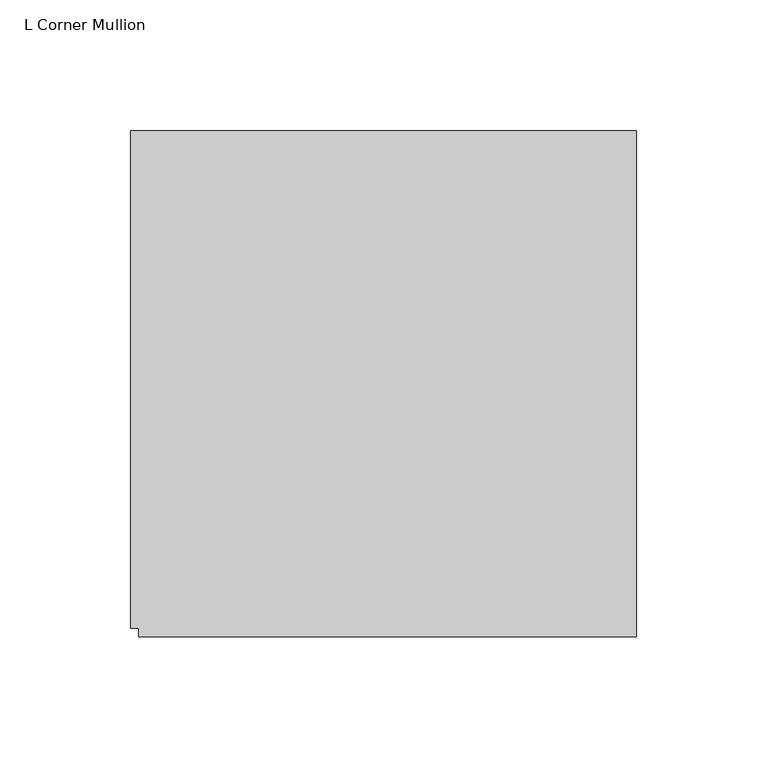
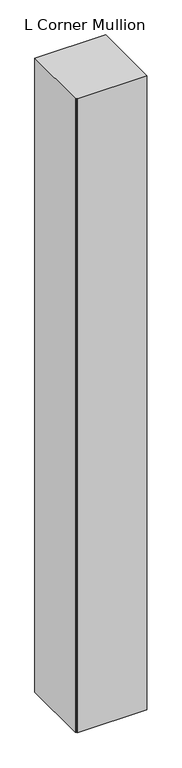
"""IFC4 building model written with IfcOpenShell, lengths in millimetres: member geometry, L Corner Mullion."""

from ifc_helpers import new_model, si_unit, frame, origin, place, context, project, spatial, polyline, outline, extrude, source, transform, mapped, element, save


def l_corner_mullion_28de5b78(model_context):
    return source(origin(), model_context, "Body", "SweptSolid", [
        extrude(outline(polyline([(-161.925, -165.1), (-161.925, -161.925), (-165.1, -161.925), (-165.1, 28.575), (28.575, 28.575), (28.575, -165.1), (-161.925, -165.1)])), frame((0.0, 0.0, -1828.8), z_axis=(0.0, 0.0, 1.0), x_axis=(1.0, 0.0, 0.0)), (0.0, 0.0, 1.0), 1828.8),
    ])


if __name__ == "__main__":
    model = new_model("IFC4")
    model_context = context("Model", 3, world=origin())
    ifc_project = project(units=[si_unit("LENGTHUNIT", "METRE", prefix="MILLI")], contexts=[model_context])
    site = spatial("IfcSite", under=ifc_project)
    building = spatial("IfcBuilding", under=site)
    placement = place(None, origin())
    l_corner_mullion_shape = l_corner_mullion_28de5b78(model_context)
    element("IfcMember", 1, ObjectType="L Corner Mullion", at=placement, inside=building, context=model_context, shape_type="MappedRepresentation", body=[
        mapped(l_corner_mullion_shape, transform((0.0, 0.0, 0.0), x_axis=(1.0, 0.0, 0.0), y_axis=(0.0, 1.0, 0.0), z_axis=(0.0, 0.0, 1.0))),
    ])
    save(model, "model.ifc")
